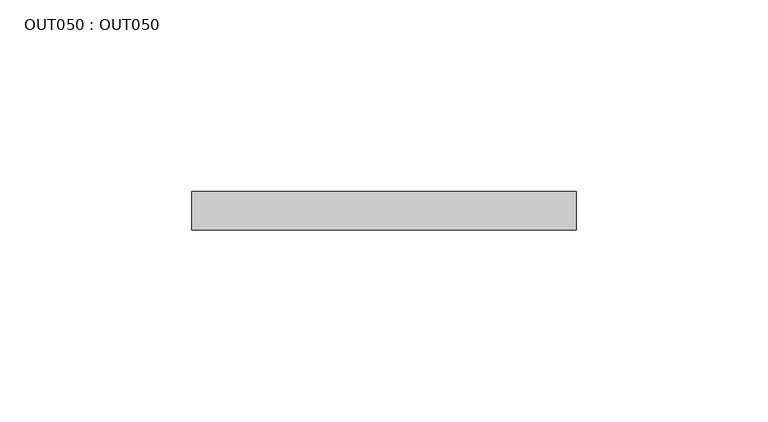
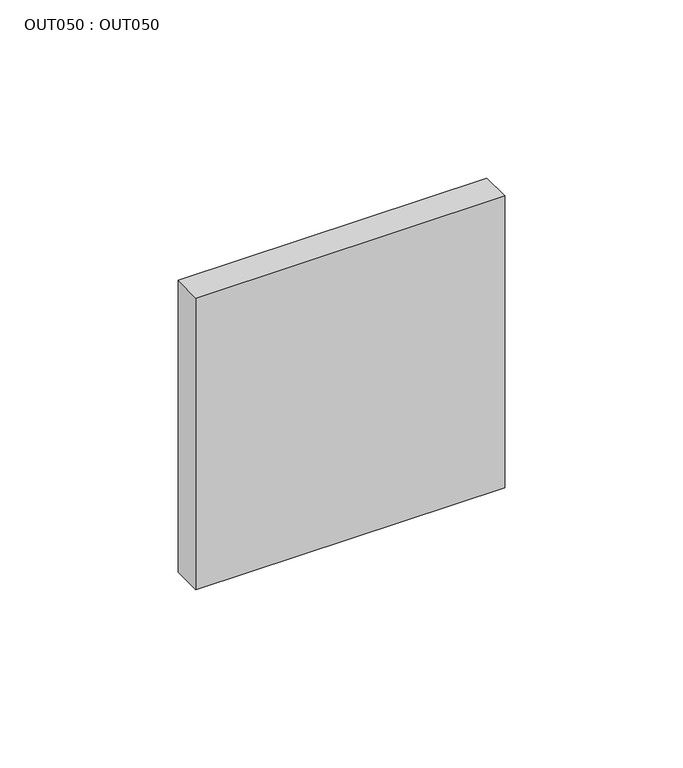
"""IFC4 building model written with IfcOpenShell, lengths in millimetres: proxy geometry, OUT050 : OUT050."""

from ifc_helpers import new_model, si_unit, frame, origin, place, context, project, spatial, polyline, outline, extrude, source, transform, mapped, element, save


def out050_out050_b7fd4dbd(model_context):
    return source(origin(), model_context, "Body", "SweptSolid", [
        extrude(outline(polyline([(50.0000004, 0.0), (50.0000004, -10.0000005), (-50.0000004, -10.0000005), (-50.0000004, 0.0), (50.0000004, 0.0)])), frame((0.0, 0.0, -50.0), z_axis=(0.0, 0.0, 1.0), x_axis=(1.0, 0.0, 0.0)), (0.0, 0.0, 1.0), 100.0),
    ])


if __name__ == "__main__":
    model = new_model("IFC4")
    model_context = context("Model", 3, world=origin())
    ifc_project = project(units=[si_unit("LENGTHUNIT", "METRE", prefix="MILLI")], contexts=[model_context])
    site = spatial("IfcSite", under=ifc_project)
    building = spatial("IfcBuilding", under=site)
    placement = place(None, origin())
    out050_out050_shape = out050_out050_b7fd4dbd(model_context)
    element("IfcBuildingElementProxy", 1, Name="OUT050 : OUT050", ObjectType="OUT050 : OUT050", at=placement, inside=building, context=model_context, shape_type="MappedRepresentation", body=[
        mapped(out050_out050_shape, transform((0.0, 0.0, 0.0), x_axis=(1.0, 0.0, 0.0), y_axis=(0.0, 1.0, 0.0), z_axis=(0.0, 0.0, 1.0))),
    ])
    save(model, "model.ifc")
